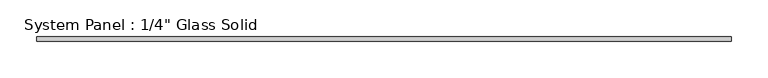
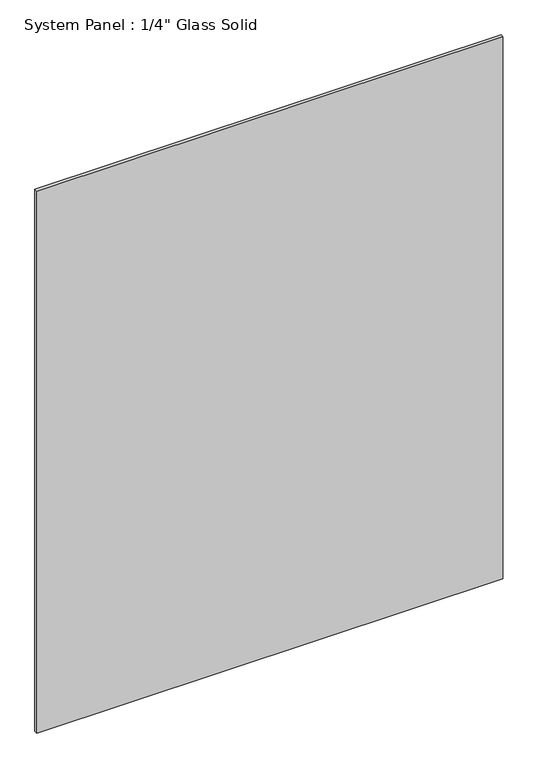
"""IFC4 building model written with IfcOpenShell, lengths in millimetres: plate geometry."""

from ifc_helpers import new_model, si_unit, origin, origin_with_axes, place, context, project, spatial, polyline, outline, extrude, source, transform, mapped, element, save


def plate_da32b79c(model_context):
    return source(origin(), model_context, "Body", "SweptSolid", [
        extrude(outline(polyline([(475.6720691, -3.175), (-475.6720691, -3.175), (-475.6720691, 3.175), (475.6720691, 3.175), (475.6720691, -3.175)])), origin_with_axes(), (0.0, 0.0, 1.0), 1169.2827405),
    ])


if __name__ == "__main__":
    model = new_model("IFC4")
    model_context = context("Model", 3, world=origin())
    ifc_project = project(units=[si_unit("LENGTHUNIT", "METRE", prefix="MILLI")], contexts=[model_context])
    site = spatial("IfcSite", under=ifc_project)
    building = spatial("IfcBuilding", under=site)
    placement = place(None, origin())
    plate_shape = plate_da32b79c(model_context)
    element("IfcPlate", 1, ObjectType="System Panel : 1/4\" Glass Solid", at=placement, inside=building, context=model_context, shape_type="MappedRepresentation", body=[
        mapped(plate_shape, transform((0.0, 0.0, 0.0), x_axis=(1.0, 0.0, 0.0), y_axis=(0.0, 1.0, 0.0), z_axis=(0.0, 0.0, 1.0))),
    ])
    save(model, "model.ifc")
